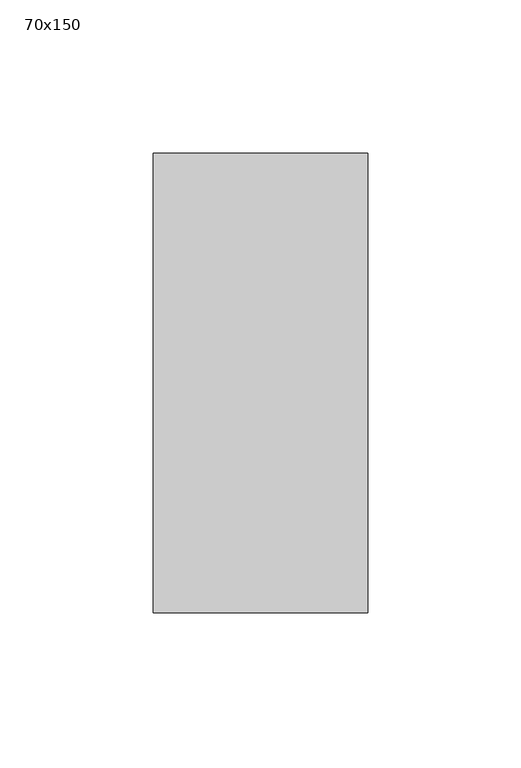
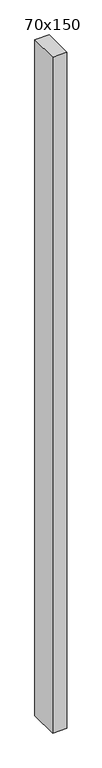
"""IFC4 building model written with IfcOpenShell, lengths in millimetres: member geometry, 70x150."""

from ifc_helpers import new_model, si_unit, frame, origin, place, context, project, spatial, polyline, outline, extrude, source, transform, mapped, element, save


def member_70x150_bd41fb14(model_context):
    return source(origin(), model_context, "Body", "SweptSolid", [
        extrude(outline(polyline([(0.0, 75.0), (0.0, -75.0), (-70.0, -75.0), (-70.0, 75.0), (0.0, 75.0)])), frame((0.0, 0.0, -3500.0), z_axis=(0.0, 0.0, 1.0), x_axis=(1.0, 0.0, 0.0)), (0.0, 0.0, 1.0), 3500.0),
    ])


if __name__ == "__main__":
    model = new_model("IFC4")
    model_context = context("Model", 3, world=origin())
    ifc_project = project(units=[si_unit("LENGTHUNIT", "METRE", prefix="MILLI")], contexts=[model_context])
    site = spatial("IfcSite", under=ifc_project)
    building = spatial("IfcBuilding", under=site)
    placement = place(None, origin())
    member_70x150_shape = member_70x150_bd41fb14(model_context)
    element("IfcMember", 1, ObjectType="70x150", at=placement, inside=building, context=model_context, shape_type="MappedRepresentation", body=[
        mapped(member_70x150_shape, transform((0.0, 0.0, 0.0), x_axis=(1.0, 0.0, 0.0), y_axis=(0.0, 1.0, 0.0), z_axis=(0.0, 0.0, 1.0))),
    ])
    save(model, "model.ifc")
